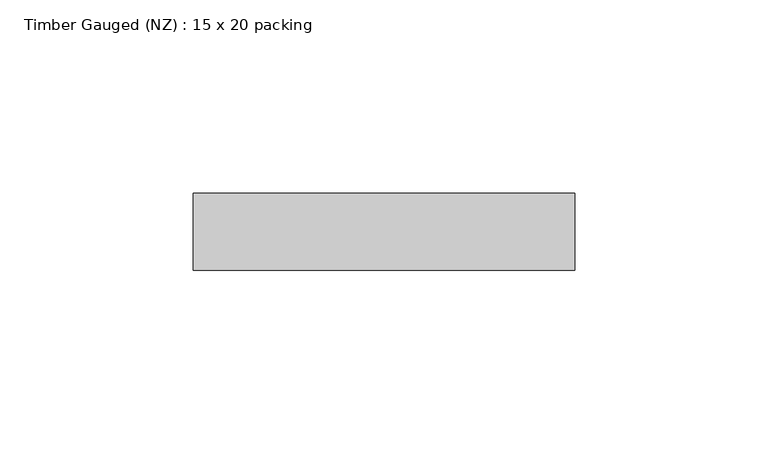
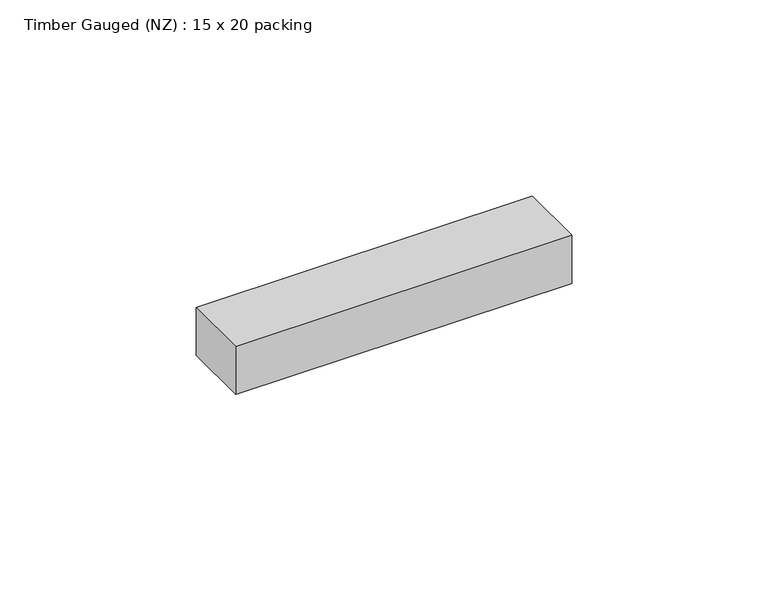
"""IFC4 building model written with IfcOpenShell, lengths in millimetres: beam geometry, Timber Gauged (NZ) : 15 x 20 packing."""

from ifc_helpers import new_model, si_unit, frame, origin, place, context, project, spatial, polyline, outline, extrude, source, transform, mapped, element, save


def timber_gauged_nz_15_x_20_packing_87082228(model_context):
    return source(origin(), model_context, "Body", "SweptSolid", [
        extrude(outline(polyline([(49.7685281, 10.0), (49.7685281, -10.0), (-49.0, -10.0), (-49.0, 10.0), (49.7685281, 10.0)])), frame((0.0, 0.0, -7.5), z_axis=(0.0, 0.0, 1.0), x_axis=(1.0, 0.0, 0.0)), (0.0, 0.0, 1.0), 15.0),
    ])


if __name__ == "__main__":
    model = new_model("IFC4")
    model_context = context("Model", 3, world=origin())
    ifc_project = project(units=[si_unit("LENGTHUNIT", "METRE", prefix="MILLI")], contexts=[model_context])
    site = spatial("IfcSite", under=ifc_project)
    building = spatial("IfcBuilding", under=site)
    placement = place(None, origin())
    timber_gauged_nz_15_x_20_packing_shape = timber_gauged_nz_15_x_20_packing_87082228(model_context)
    element("IfcBeam", 1, ObjectType="Timber Gauged (NZ) : 15 x 20 packing", at=placement, inside=building, context=model_context, shape_type="MappedRepresentation", body=[
        mapped(timber_gauged_nz_15_x_20_packing_shape, transform((0.0, 0.0, 0.0), x_axis=(1.0, 0.0, 0.0), y_axis=(0.0, 1.0, 0.0), z_axis=(0.0, 0.0, 1.0))),
    ])
    save(model, "model.ifc")
